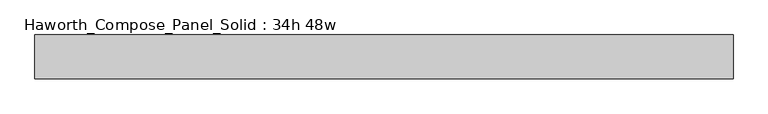
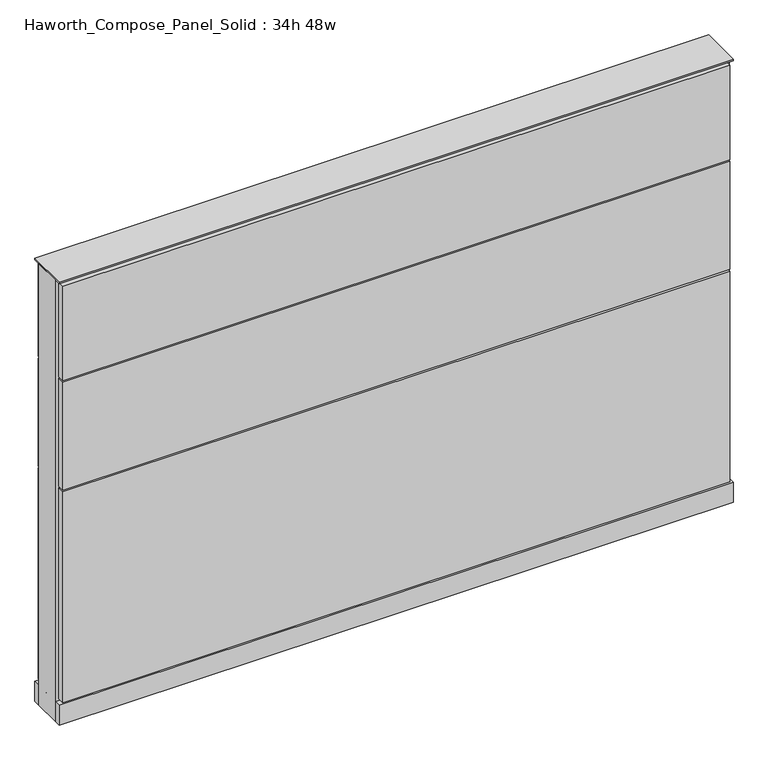
"""IFC4 building model written with IfcOpenShell, lengths in millimetres: furniture geometry, Haworth_Compose_Panel_Solid : 34h 48w."""

from ifc_helpers import new_model, si_unit, point, frame, frame_2d, origin, origin_with_axes, place, context, project, spatial, polyline, circle_curve, trimmed, segment, composite_curve, outline, extrude, source, transform, mapped, element, save


def haworth_compose_panel_solid_34h_48w_fa1822fc(model_context):
    return source(origin(), model_context, "Body", "SweptSolid", [
        extrude(outline(composite_curve([segment(trimmed(circle_curve(frame_2d((-530.9597098, 0.0)), 12.7), [point((-543.6597098, 0.0))], [point((-518.2597098, 0.0))], False, "CARTESIAN"), True, "CONTINUOUS"), segment(trimmed(circle_curve(frame_2d((-530.9597098, 0.0)), 12.7), [point((-518.2597098, 0.0))], [point((-543.6597098, 0.0))], False, "CARTESIAN"), True, "CONTINUOUS")], self_intersect=False)), origin_with_axes(), (0.0, 0.0, 1.0), 12.7),
        extrude(outline(composite_curve([segment(trimmed(circle_curve(frame_2d((535.8402902, 0.0)), 12.7), [point((523.1402902, 0.0))], [point((548.5402902, 0.0))], False, "CARTESIAN"), True, "CONTINUOUS"), segment(trimmed(circle_curve(frame_2d((535.8402902, 0.0)), 12.7), [point((548.5402902, 0.0))], [point((523.1402902, 0.0))], False, "CARTESIAN"), True, "CONTINUOUS")], self_intersect=False)), origin_with_axes(), (0.0, 0.0, 1.0), 12.7),
        extrude(outline(polyline([(605.6902902, 38.1), (605.6902902, 25.4), (-600.8097098, 25.4), (-600.8097098, 38.1), (605.6902902, 38.1)])), frame((0.0, 0.0, 669.925), z_axis=(0.0, 0.0, 1.0), x_axis=(1.0, 0.0, 0.0)), (0.0, 0.0, 1.0), 180.975),
        extrude(outline(polyline([(605.6902902, 38.1), (605.6902902, 25.4), (-600.8097098, 25.4), (-600.8097098, 38.1), (605.6902902, 38.1)])), frame((0.0, 0.0, 460.375), z_axis=(0.0, 0.0, 1.0), x_axis=(1.0, 0.0, 0.0)), (0.0, 0.0, 1.0), 206.375),
        extrude(outline(polyline([(605.6902902, 38.1), (605.6902902, 25.4), (-600.8097098, 25.4), (-600.8097098, 38.1), (605.6902902, 38.1)])), frame((0.0, 0.0, 53.975), z_axis=(0.0, 0.0, 1.0), x_axis=(1.0, 0.0, 0.0)), (0.0, 0.0, 1.0), 403.225),
        extrude(outline(polyline([(605.6902902, -38.1), (-600.8097098, -38.1), (-600.8097098, -25.4), (605.6902902, -25.4), (605.6902902, -38.1)])), frame((0.0, 0.0, 669.925), z_axis=(0.0, 0.0, 1.0), x_axis=(1.0, 0.0, 0.0)), (0.0, 0.0, 1.0), 180.975),
        extrude(outline(polyline([(605.6902902, -38.1), (-600.8097098, -38.1), (-600.8097098, -25.4), (605.6902902, -25.4), (605.6902902, -38.1)])), frame((0.0, 0.0, 460.375), z_axis=(0.0, 0.0, 1.0), x_axis=(1.0, 0.0, 0.0)), (0.0, 0.0, 1.0), 206.375),
        extrude(outline(polyline([(605.6902902, -38.1), (-600.8097098, -38.1), (-600.8097098, -25.4), (605.6902902, -25.4), (605.6902902, -38.1)])), frame((0.0, 0.0, 53.975), z_axis=(0.0, 0.0, 1.0), x_axis=(1.0, 0.0, 0.0)), (0.0, 0.0, 1.0), 403.225),
        extrude(outline(polyline([(612.0402902, 25.4), (612.0402902, -25.4), (-607.1597098, -25.4), (-607.1597098, 25.4), (612.0402902, 25.4)])), frame((0.0, 0.0, 12.7), z_axis=(0.0, 0.0, 1.0), x_axis=(1.0, 0.0, 0.0)), (0.0, 0.0, 1.0), 844.55),
        extrude(outline(polyline([(-607.1597098, -38.1), (-607.1597098, 38.1), (612.0402902, 38.1), (612.0402902, -38.1), (-607.1597098, -38.1)])), frame((0.0, 0.0, 12.7), z_axis=(0.0, 0.0, 1.0), x_axis=(1.0, 0.0, 0.0)), (0.0, 0.0, 1.0), 38.1),
        extrude(outline(polyline([(-607.1597098, -38.1), (-607.1597098, 38.1), (612.0402902, 38.1), (612.0402902, -38.1), (-607.1597098, -38.1)])), frame((0.0, 0.0, 857.25), z_axis=(0.0, 0.0, 1.0), x_axis=(1.0, 0.0, 0.0)), (0.0, 0.0, 1.0), 3.175),
    ])


if __name__ == "__main__":
    model = new_model("IFC4")
    model_context = context("Model", 3, world=origin())
    ifc_project = project(units=[si_unit("LENGTHUNIT", "METRE", prefix="MILLI")], contexts=[model_context])
    site = spatial("IfcSite", under=ifc_project)
    building = spatial("IfcBuilding", under=site)
    placement = place(None, origin())
    haworth_compose_panel_solid_34h_48w_shape = haworth_compose_panel_solid_34h_48w_fa1822fc(model_context)
    element("IfcFurniture", 1, ObjectType="Haworth_Compose_Panel_Solid : 34h 48w", at=placement, inside=building, context=model_context, shape_type="MappedRepresentation", body=[
        mapped(haworth_compose_panel_solid_34h_48w_shape, transform((0.0, 0.0, 0.0), x_axis=(1.0, 0.0, 0.0), y_axis=(0.0, 1.0, 0.0), z_axis=(0.0, 0.0, 1.0))),
    ])
    save(model, "model.ifc")
